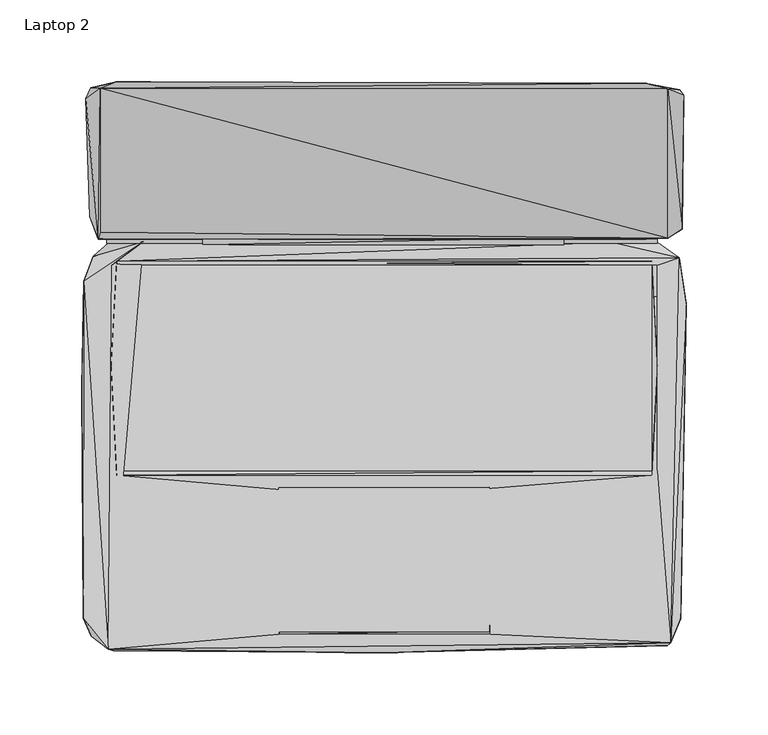
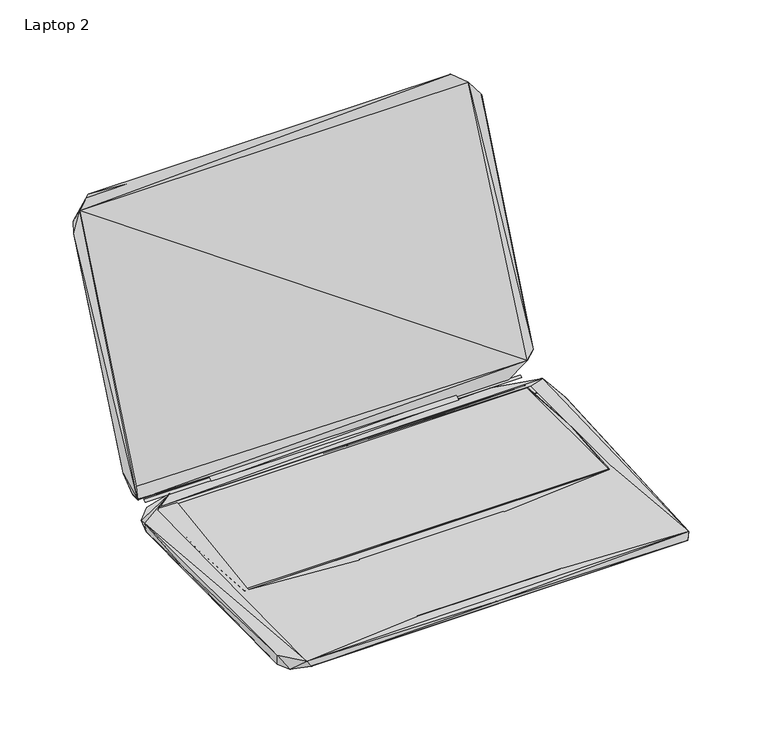
"""IFC4 building model written with IfcOpenShell, lengths in millimetres: furniture geometry, Laptop 2."""

from ifc_helpers import new_model, si_unit, origin, place, context, project, spatial, triangles, source, transform, mapped, element, save


def laptop_2_1936cda2(model_context):
    return source(origin(), model_context, "Body", "Tessellation", [
        triangles([(-163.1627697, -63.4161101, 10.6379669), (163.3643744, -63.4161237, 10.6379669), (-163.1627697, 62.2339693, 10.6379669), (163.3643744, 62.2339466, 10.6379669)], [[1, 2, 3], [2, 4, 3]], closed=False),
        triangles([(-110.8122133, 74.6278076, 10.6596248), (109.6013587, 74.627794, 10.6596248), (109.7013526, 79.027798, 13.559625), (-110.8122133, 79.12781, 13.559625), (-177.7495428, 67.5618372, 1.9875597), (-147.0631074, 76.4618299, 11.2875593), (-168.0495353, 76.0618317, 5.7875595), (179.8283585, 64.0618056, 1.3875597), (-175.7495377, 83.7618295, 15.6875588), (179.7283646, 88.3618031, 24.887557), (153.6283589, 77.6618112, 9.9875603), (-174.5495383, 78.1618261, 13.8875596), (-173.4495509, 82.3618241, 23.5875592), (-173.4495327, 170.083768, 230.6309262), (173.2283617, 78.5618108, 23.5875592), (-182.3495164, 163.783771, 215.930915), (-169.4495407, 75.7618318, 11.0875602), (166.7283587, 75.7618182, 11.0875602), (-169.4495407, 78.1618261, 12.3875592), (166.7283587, 78.161817, 12.3875592), (138.5419342, 76.3618088, 10.7875592), (166.8283708, 76.2618149, 5.8875596), (-166.3495482, 62.0618323, 11.38756), (-163.1495437, 64.7618264, 11.38756), (-163.1495437, 62.1618353, 10.6875596), (163.4283603, 64.7618083, 11.38756), (166.7283587, 62.1618125, 11.4875596), (180.1283584, 66.7618088, 11.1875598), (163.4283603, 62.1618125, 10.6875596), (181.8283636, 84.2618081, 27.087559), (173.2283798, 169.9837378, 230.7309201), (183.0283812, 165.9837276, 217.9309201), (180.4283764, 169.283726, 219.6309072), (-179.2495239, 170.3837678, 222.6309239), (-163.4495254, 174.0837782, 240.2309216), (159.4283682, 173.2837362, 240.9309152), (-183.6495461, -153.3039601, 10.6875596), (-182.5495587, -150.8039673, 0.2875598), (-178.8495665, -164.2039488, 2.0875598), (-168.3495533, -172.3039631, 11.1875598), (-184.5495456, -12.9600999, 6.4875599), (-183.349528, 52.5508621, 10.0875599), (-180.9495473, 54.1508644, 0.2875598), (180.9283459, -153.7039902, 0.3875598), (-165.1495488, -173.3039566, 5.9875598), (172.9283436, -170.0039945, 4.2875599), (-0.1173726, -174.3039864, 9.9875603), (-64.3902512, -163.2039917, 11.4875596), (-62.6902505, -74.882039, 10.9875595), (174.8283548, -168.4040013, 11.2875593), (64.6690496, -163.2039917, 11.4875596), (-166.549536, -63.3820369, 11.4875596), (-162.9495559, -66.0820402, 11.4875596), (-64.3902512, -161.8039681, 11.0875602), (64.2690604, -161.7039742, 11.0875602), (64.0690544, -73.4820518, 11.0875602), (-64.4902451, -73.5820366, 11.0875602), (-63.4902471, -159.8039812, 10.9875595), (62.0690493, -161.1039745, 10.9875595), (62.1690568, -74.1820545, 10.9875595), (184.3283564, 38.5508446, 8.7875592), (163.4283603, -66.0820538, 11.4875596), (166.7283587, -63.3820506, 11.4875596), (182.5283572, 42.6508441, 0.1875598), (-163.1495437, -66.0820402, 11.38756), (163.4283603, -63.3820506, 10.6875596), (-163.1495437, -63.3820369, 10.6875596), (-166.549536, 0.5398982, 11.38756), (166.7283587, -1.7601228, 11.38756), (-179.8495418, 91.6618378, 32.1875588)], [[1, 2, 3], [1, 3, 4], [5, 6, 7], [5, 7, 8], [9, 10, 11], [9, 11, 12], [12, 13, 14], [12, 11, 15], [12, 15, 13], [12, 14, 16], [17, 18, 19], [19, 18, 20], [7, 6, 21], [7, 21, 22], [7, 22, 8], [23, 24, 6], [24, 25, 26], [24, 21, 6], [24, 27, 28], [24, 28, 21], [25, 29, 26], [21, 28, 22], [11, 30, 15], [11, 10, 30], [22, 28, 8], [15, 30, 31], [10, 32, 30], [10, 33, 32], [30, 32, 31], [16, 14, 34], [34, 35, 33], [34, 14, 35], [14, 36, 35], [14, 31, 36], [35, 36, 33], [36, 31, 33], [31, 32, 33], [37, 38, 39], [37, 39, 40], [37, 41, 38], [37, 42, 41], [37, 40, 42], [38, 41, 43], [38, 44, 39], [38, 43, 44], [39, 45, 40], [39, 46, 45], [39, 44, 46], [40, 23, 6], [40, 45, 47], [40, 48, 49], [40, 47, 50], [40, 51, 48], [40, 50, 51], [40, 52, 23], [40, 53, 52], [40, 49, 53], [40, 6, 42], [45, 46, 47], [54, 55, 56], [54, 56, 57], [48, 58, 49], [48, 59, 58], [48, 51, 59], [47, 46, 50], [51, 50, 60], [46, 44, 50], [50, 61, 28], [50, 44, 61], [50, 62, 60], [50, 63, 62], [50, 27, 63], [50, 28, 27], [44, 64, 61], [44, 43, 64], [65, 66, 67], [65, 62, 66], [65, 67, 68], [67, 25, 68], [53, 49, 60], [53, 60, 62], [66, 62, 69], [66, 69, 29], [41, 42, 43], [68, 25, 24], [69, 26, 29], [42, 5, 43], [42, 6, 5], [43, 5, 8], [43, 8, 64], [64, 8, 61], [61, 8, 28], [70, 9, 12], [70, 12, 16], [70, 10, 9], [70, 34, 33], [70, 33, 10], [70, 16, 34]], closed=False),
        triangles([(-173.4428653, 82.3395962, 23.5443364), (173.2898041, 78.5395919, 23.5443364), (-173.4428471, 170.1375438, 230.6010043), (173.2898223, 169.9375015, 230.6010043)], [[1, 2, 3], [2, 4, 3]], closed=False),
    ])


if __name__ == "__main__":
    model = new_model("IFC4")
    model_context = context("Model", 3, world=origin())
    ifc_project = project(units=[si_unit("LENGTHUNIT", "METRE", prefix="MILLI")], contexts=[model_context])
    site = spatial("IfcSite", under=ifc_project)
    building = spatial("IfcBuilding", under=site)
    placement = place(None, origin())
    laptop_2_shape = laptop_2_1936cda2(model_context)
    element("IfcFurniture", 1, ObjectType="Laptop 2", at=placement, inside=building, context=model_context, shape_type="MappedRepresentation", body=[
        mapped(laptop_2_shape, transform((0.0, 0.0, 0.0), x_axis=(1.0, 0.0, 0.0), y_axis=(0.0, 1.0, 0.0), z_axis=(0.0, 0.0, 1.0))),
    ])
    save(model, "model.ifc")
